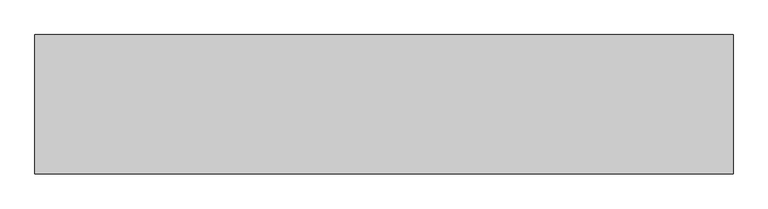
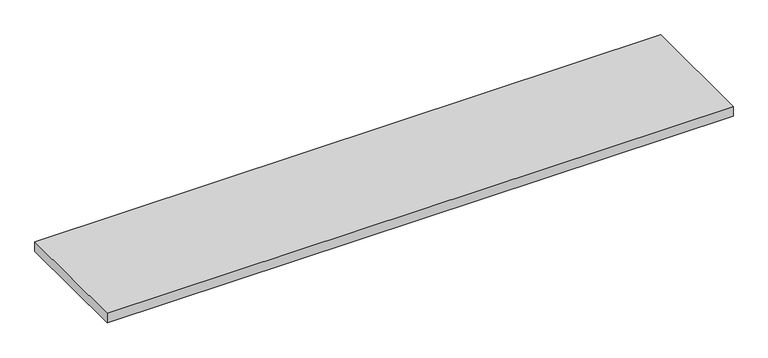
"""IFC4 building model written with IfcOpenShell, lengths in millimetres: furniture geometry."""

from ifc_helpers import new_model, si_unit, origin, origin_with_axes, place, context, project, spatial, polyline, outline, extrude, source, transform, mapped, element, save


def furniture_60efea97(model_context):
    return source(origin(), model_context, "Body", "SweptSolid", [
        extrude(outline(polyline([(17383.7851655, 7199.9809869), (17383.7851655, 6399.9809869), (13381.1755714, 6399.9809869), (13381.1755714, 7199.9809869), (17383.7851655, 7199.9809869)])), origin_with_axes(), (0.0, 0.0, 1.0), 63.5584863),
    ])


if __name__ == "__main__":
    model = new_model("IFC4")
    model_context = context("Model", 3, world=origin())
    ifc_project = project(units=[si_unit("LENGTHUNIT", "METRE", prefix="MILLI")], contexts=[model_context])
    site = spatial("IfcSite", under=ifc_project)
    building = spatial("IfcBuilding", under=site)
    placement = place(None, origin())
    furniture_shape = furniture_60efea97(model_context)
    element("IfcFurniture", 1, at=placement, inside=building, context=model_context, shape_type="MappedRepresentation", body=[
        mapped(furniture_shape, transform((0.0, 0.0, 0.0), x_axis=(1.0, 0.0, 0.0), y_axis=(0.0, 1.0, 0.0), z_axis=(0.0, 0.0, 1.0))),
    ])
    save(model, "model.ifc")
